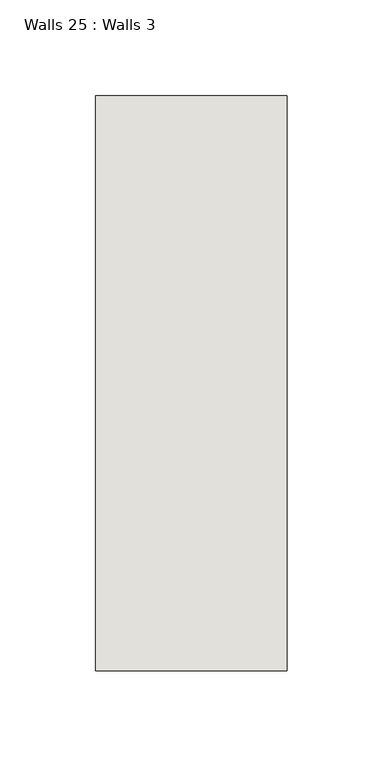
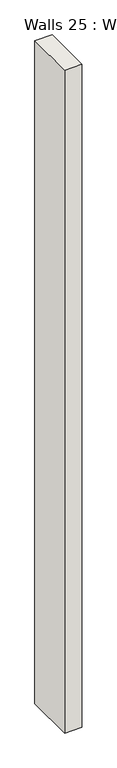
"""IFC4 building model written with IfcOpenShell, lengths in millimetres: wall geometry, Walls 25 : Walls 3."""

from ifc_helpers import new_model, si_unit, origin, origin_with_axes, place, context, project, spatial, polyline, outline, extrude, source, transform, mapped, element, save


def walls_25_walls_3_82355507(model_context):
    return source(origin(), model_context, "Body", "SweptSolid", [
        extrude(outline(polyline([(-4212.3812655, 1518.41264), (-4212.3812655, 1818.41264), (-4112.3812655, 1818.41264), (-4112.3812655, 1518.41264), (-4212.3812655, 1518.41264)])), origin_with_axes(), (0.0, 0.0, 1.0), 4085.1192828),
    ])


if __name__ == "__main__":
    model = new_model("IFC4")
    model_context = context("Model", 3, world=origin())
    ifc_project = project(units=[si_unit("LENGTHUNIT", "METRE", prefix="MILLI")], contexts=[model_context])
    site = spatial("IfcSite", under=ifc_project)
    building = spatial("IfcBuilding", under=site)
    placement = place(None, origin())
    walls_25_walls_3_shape = walls_25_walls_3_82355507(model_context)
    element("IfcWall", 1, ObjectType="Walls 25 : Walls 3", at=placement, inside=building, context=model_context, shape_type="MappedRepresentation", body=[
        mapped(walls_25_walls_3_shape, transform((0.0, 0.0, 0.0), x_axis=(1.0, 0.0, 0.0), y_axis=(0.0, 1.0, 0.0), z_axis=(0.0, 0.0, 1.0))),
    ])
    save(model, "model.ifc")
